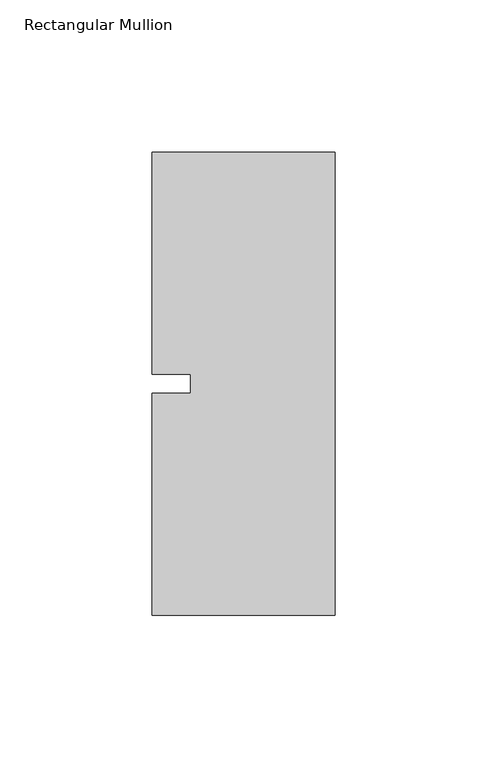
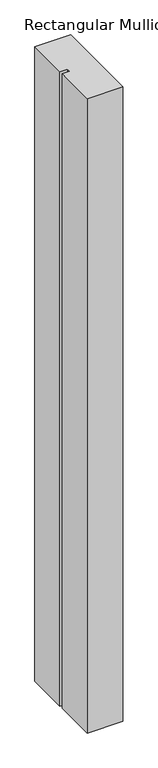
"""IFC4 building model written with IfcOpenShell, lengths in millimetres: member geometry, Rectangular Mullion."""

from ifc_helpers import new_model, si_unit, frame, origin, place, context, project, spatial, polyline, outline, extrude, source, transform, mapped, element, save


def rectangular_mullion_88c6e485(model_context):
    return source(origin(), model_context, "Body", "SweptSolid", [
        extrude(outline(polyline([(-60.325, 76.2), (0.0, 76.2), (0.0, -76.2), (-60.325, -76.2), (-60.325, -3.175), (-47.6232296, -3.175), (-47.6232296, 3.175), (-60.325, 3.175), (-60.325, 76.2)])), frame((0.0, 0.0, -1130.3), z_axis=(0.0, 0.0, 1.0), x_axis=(1.0, 0.0, 0.0)), (0.0, 0.0, 1.0), 1130.3),
    ])


if __name__ == "__main__":
    model = new_model("IFC4")
    model_context = context("Model", 3, world=origin())
    ifc_project = project(units=[si_unit("LENGTHUNIT", "METRE", prefix="MILLI")], contexts=[model_context])
    site = spatial("IfcSite", under=ifc_project)
    building = spatial("IfcBuilding", under=site)
    placement = place(None, origin())
    rectangular_mullion_shape = rectangular_mullion_88c6e485(model_context)
    element("IfcMember", 1, ObjectType="Rectangular Mullion", at=placement, inside=building, context=model_context, shape_type="MappedRepresentation", body=[
        mapped(rectangular_mullion_shape, transform((0.0, 0.0, 0.0), x_axis=(1.0, 0.0, 0.0), y_axis=(0.0, 1.0, 0.0), z_axis=(0.0, 0.0, 1.0))),
    ])
    save(model, "model.ifc")
